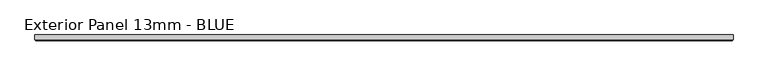
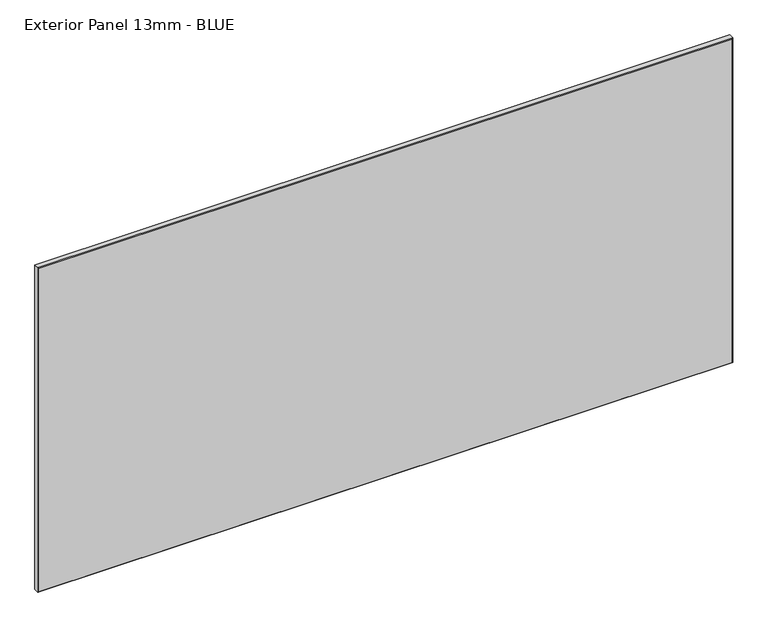
"""IFC4 building model written with IfcOpenShell, lengths in millimetres: proxy geometry, Exterior Panel 13mm - BLUE."""

from ifc_helpers import new_model, si_unit, origin, place, context, project, spatial, faceted_brep, source, transform, mapped, element, save


def exterior_panel_13mm_blue_bd528c26(model_context):
    return source(origin(), model_context, "Body", "Brep", [
        faceted_brep([(1125.5375, 6.35, 757.2375), (-406.4, 6.35, 757.2375), (-406.4, -4.7625, 757.2375), (1125.5375, -4.7625, 757.2375), (1125.5375, 6.35, 0.0), (1125.5375, -4.7625, 0.0), (-406.4, -4.7625, 0.0), (-406.4, 6.35, 0.0), (-404.8125, -6.35, 755.65), (-404.8125, -6.35, 1.5875), (1123.95, -6.35, 1.5875), (1123.95, -6.35, 755.65)], [[[0, 1, 2, 3]], [[4, 5, 6, 7]], [[1, 0, 4, 7]], [[2, 1, 7, 6]], [[8, 9, 10, 11]], [[0, 3, 5, 4]], [[2, 6, 9, 8]], [[5, 3, 11, 10]], [[3, 2, 8, 11]], [[6, 5, 10, 9]]]),
    ])


if __name__ == "__main__":
    model = new_model("IFC4")
    model_context = context("Model", 3, world=origin())
    ifc_project = project(units=[si_unit("LENGTHUNIT", "METRE", prefix="MILLI")], contexts=[model_context])
    site = spatial("IfcSite", under=ifc_project)
    building = spatial("IfcBuilding", under=site)
    placement = place(None, origin())
    exterior_panel_13mm_blue_shape = exterior_panel_13mm_blue_bd528c26(model_context)
    element("IfcBuildingElementProxy", 1, Name="Exterior Panel 13mm - BLUE", ObjectType="Exterior Panel 13mm - BLUE", at=placement, inside=building, context=model_context, shape_type="MappedRepresentation", body=[
        mapped(exterior_panel_13mm_blue_shape, transform((0.0, 0.0, 0.0), x_axis=(1.0, 0.0, 0.0), y_axis=(0.0, 1.0, 0.0), z_axis=(0.0, 0.0, 1.0))),
    ])
    save(model, "model.ifc")
